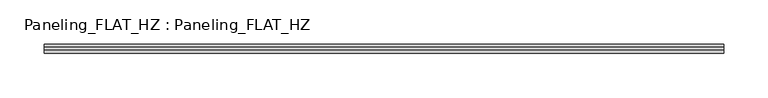
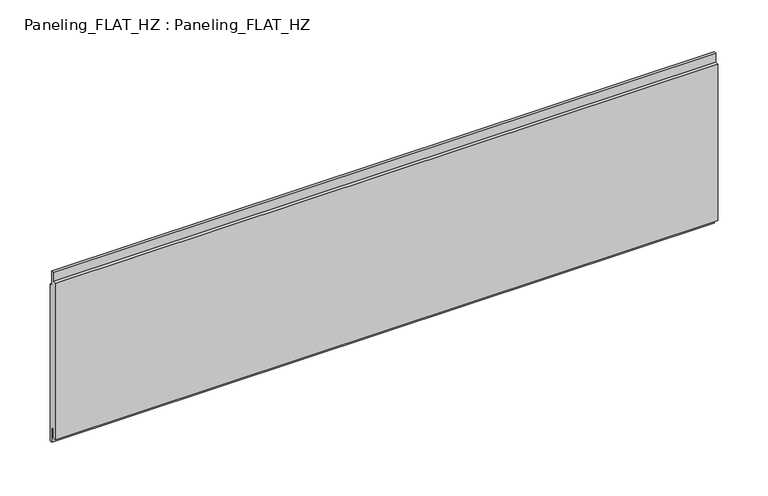
"""IFC4 building model written with IfcOpenShell, lengths in millimetres: plate geometry, Paneling_FLAT_HZ : Paneling_FLAT_HZ."""

from ifc_helpers import new_model, si_unit, frame, origin, place, context, project, spatial, polyline, outline, extrude, source, transform, mapped, element, save


def paneling_flat_hz_paneling_flat_hz_3eb15d17(model_context):
    return source(origin(), model_context, "Body", "SweptSolid", [
        extrude(outline(polyline([(-1.0, 202.3), (2.0, 202.3), (2.0, 184.3), (5.0, 184.3), (5.0, -7.0), (2.0, -7.0), (2.0, 11.0), (-1.0, 11.0), (-1.0, 0.0), (-5.0, 0.0), (-5.0, 191.3), (-1.0, 191.3), (-1.0, 202.3)])), frame((-382.25, 0.0, 0.0), z_axis=(1.0, 0.0, 0.0), x_axis=(0.0, 1.0, 0.0)), (0.0, 0.0, 1.0), 764.5),
    ])


if __name__ == "__main__":
    model = new_model("IFC4")
    model_context = context("Model", 3, world=origin())
    ifc_project = project(units=[si_unit("LENGTHUNIT", "METRE", prefix="MILLI")], contexts=[model_context])
    site = spatial("IfcSite", under=ifc_project)
    building = spatial("IfcBuilding", under=site)
    placement = place(None, origin())
    paneling_flat_hz_paneling_flat_hz_shape = paneling_flat_hz_paneling_flat_hz_3eb15d17(model_context)
    element("IfcPlate", 1, ObjectType="Paneling_FLAT_HZ : Paneling_FLAT_HZ", at=placement, inside=building, context=model_context, shape_type="MappedRepresentation", body=[
        mapped(paneling_flat_hz_paneling_flat_hz_shape, transform((0.0, 0.0, 0.0), x_axis=(1.0, 0.0, 0.0), y_axis=(0.0, 1.0, 0.0), z_axis=(0.0, 0.0, 1.0))),
    ])
    save(model, "model.ifc")
